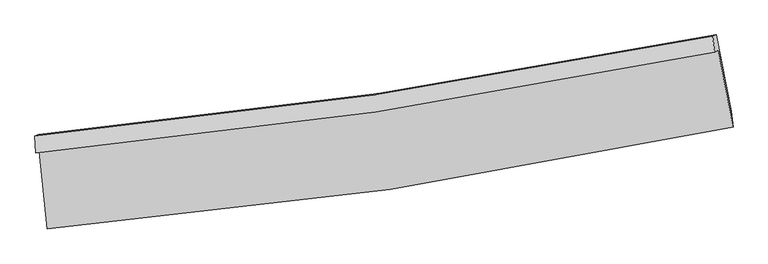
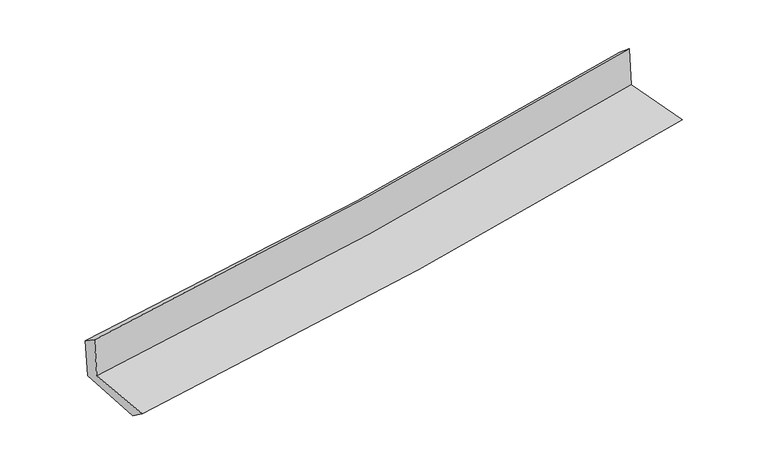
"""IFC4 building model written with IfcOpenShell, lengths in millimetres: proxy geometry."""

from ifc_helpers import new_model, si_unit, frame, origin, place, context, project, spatial, source, transform, mapped, element, save
from ifc_brep_helpers import plane_surface, spline_curve, spline_surface, advanced_brep


def generic_models_0bc6b766(model_context):
    return source(origin(), model_context, "Body", "AdvancedBrep", [
        advanced_brep(
        [(-2937.5955271, -1902.5858124, 1633.0285922), (-2869.0179714, -2570.8633524, 1612.8965138), (3016.8953579, -1693.6174022, 2121.8337419), (2889.9510439, -1033.5422593, 2134.4722999), (-2969.1595943, -1917.8676696, 2032.7853997), (2858.522261, -1048.7586182, 2532.5157421), (-2975.9219288, -1771.7343559, 1937.7305973), (2842.4359554, -913.3541548, 2419.6908665), (-2944.9054701, -1758.6168204, 1547.2061781), (2871.6549641, -901.0380636, 2053.6805363), (-2875.3280112, -2417.4037926, 1503.5176103), (3000.0457953, -1556.7207009, 2014.5596377)],
        [
            (0, 1),
            (1, 2, spline_curve(3, [(-2869.0179714, -2570.8633524, 1612.8965138), (-1884.267214877, -2489.303420762, 1717.426177018), (-903.077943251, -2375.782268944, 1811.990689236), (1058.942626792, -2083.810813494, 1981.774823028), (2039.724464882, -1904.916648981, 2056.856053379), (3016.8953579, -1693.6174022, 2121.8337419)], [4, 2, 4], [0.0, 9.719819335402939, 19.50689794603169])),
            (2, 3),
            (3, 0, spline_curve(3, [(2889.9510439, -1033.5422593, 2134.4722999), (1923.291736908, -1232.34150996, 2053.598847726), (952.64506579, -1404.318971879, 1971.225913158), (-989.925074225, -1693.632770491, 1804.057471667), (-1961.793926497, -1811.336493209, 1719.282503878), (-2937.5955271, -1902.5858124, 1633.0285922)], [4, 2, 4], [0.0, 9.78707861062875, 19.50689794603169])),
            (4, 0),
            (3, 5),
            (5, 4, spline_curve(3, [(2858.522261, -1048.7586182, 2532.5157421), (1891.037579334, -1247.957477201, 2462.095605552), (919.968292177, -1420.139549871, 2385.075073852), (-1022.641425748, -1709.472510429, 2218.407885864), (-1994.132756896, -1826.99345483, 2128.851636226), (-2969.1595943, -1917.8676696, 2032.7853997)], [4, 2, 4], [0.0, 9.738138553013643, 19.40935415923365])),
            (6, 4),
            (5, 7),
            (7, 6, spline_curve(3, [(2842.4359554, -913.3541548, 2419.6908665), (1876.968448533, -1107.005314829, 2340.90889356), (907.686636259, -1275.52285525, 2261.212928704), (-1031.818237651, -1561.305326644, 2100.546986474), (-2001.989053131, -1678.914520085, 2019.589528423), (-2975.9219288, -1771.7343559, 1937.7305973)], [4, 2, 4], [0.0, 9.727778585425533, 19.388705420370353])),
            (8, 6),
            (7, 9),
            (9, 8, spline_curve(3, [(2871.6549641, -901.0380636, 2053.6805363), (1906.614744683, -1094.502742389, 1969.202043276), (937.696661509, -1262.86011565, 1884.610686716), (-1001.209932555, -1548.375799321, 1715.784354872), (-1971.145327554, -1665.878011839, 1631.550925413), (-2944.9054701, -1758.6168204, 1547.2061781)], [4, 2, 4], [0.0, 9.7174777777114, 19.368174594693418])),
            (10, 8),
            (9, 11),
            (11, 10, spline_curve(3, [(3000.0457953, -1556.7207009, 2014.5596377), (2024.528666538, -1752.844776097, 1929.127142792), (1045.455220059, -1922.787744082, 1843.677161187), (-913.051427033, -2209.323497914, 1673.329579431), (-1892.435916457, -2326.274893994, 1588.432218209), (-2875.3280112, -2417.4037926, 1503.5176103)], [4, 2, 4], [0.0, 9.76616975592613, 19.465223927554973])),
            (1, 10),
            (11, 2),
        ],
        [
            spline_surface(3, 3, [[(-2937.5955271, -1902.5858124, 1633.0285922), (-1961.793926477, -1811.33649328, 1719.282503745), (-989.92507407, -1693.63277062, 1804.05747172), (952.645065634, -1404.318971749, 1971.225913105), (1923.291736884, -1232.341510005, 2053.598847711), (2889.9510439, -1033.5422593, 2134.4722999)], [(-2914.736341863, -2125.344992416, 1626.317899399), (-1935.951689283, -2037.325469175, 1718.663728176), (-960.976030431, -1921.015936708, 1806.701877558), (988.077585998, -1630.816252337, 1974.742216387), (1962.102646169, -1456.533222932, 2054.684582966), (2932.265815235, -1253.567306909, 2130.259447242)], [(-2891.877156637, -2348.104172384, 1619.607206601), (-1910.109452102, -2263.314445022, 1718.044952609), (-932.026986809, -2148.399102816, 1809.346283436), (1023.510106346, -1857.313532947, 1978.258519709), (2000.91355545, -1680.724935933, 2055.770318197), (2974.580586565, -1473.592354591, 2126.046594558)], [(-2869.0179714, -2570.8633524, 1612.8965138), (-1884.267214908, -2489.303420917, 1717.426177039), (-903.07794317, -2375.782268903, 1811.990689274), (1058.94262671, -2083.810813535, 1981.77482299), (2039.724464735, -1904.91664886, 2056.856053452), (3016.8953579, -1693.6174022, 2121.8337419)]], [4, 4], [4, 2, 4], [0.0, 2.2562275959208105], [0.0, 9.719819335402939, 19.50689794603169]),
            spline_surface(3, 3, [[(-2969.1595943, -1917.8676696, 2032.7853997), (-1994.13275694, -1826.993454915, 2128.851636363), (-1022.641425654, -1709.472510509, 2218.407885741), (919.968292083, -1420.13954979, 2385.075073976), (1891.037579292, -1247.957477046, 2462.095605399), (2858.522261, -1048.7586182, 2532.5157421)], [(-2958.63823859, -1912.773717188, 1899.533130538), (-1983.353146809, -1821.774467691, 1992.328592162), (-1011.73597511, -1704.192597194, 2080.291081091), (930.860549949, -1414.866023757, 2247.125353709), (1901.788965169, -1242.752154697, 2325.930019501), (2868.998521979, -1043.686498565, 2399.834594699)], [(-2948.11688281, -1907.679764812, 1766.280861362), (-1972.573536607, -1816.555480504, 1855.805547946), (-1000.830524614, -1698.912683936, 1942.17427637), (941.752807768, -1409.592497781, 2109.175633372), (1912.540351008, -1237.546832354, 2189.764433608), (2879.474782921, -1038.614378935, 2267.153447301)], [(-2937.5955271, -1902.5858124, 1633.0285922), (-1961.793926477, -1811.33649328, 1719.282503745), (-989.92507407, -1693.63277062, 1804.05747172), (952.645065634, -1404.318971749, 1971.225913105), (1923.291736884, -1232.341510005, 2053.598847711), (2889.9510439, -1033.5422593, 2134.4722999)]], [4, 4], [4, 2, 4], [0.0, 1.3638065103238703], [0.0, 9.671215606220008, 19.40935415923365]),
            spline_surface(3, 3, [[(-2975.9219288, -1771.7343559, 1937.7305973), (-2001.989053224, -1678.914519973, 2019.589528343), (-1031.818237521, -1561.305326727, 2100.546986452), (907.686636128, -1275.522855167, 2261.212928726), (1876.968448527, -1107.005314732, 2340.908893677), (2842.4359554, -913.3541548, 2419.6908665)], [(-2973.66781729, -1820.445460476, 1969.415531438), (-1999.370287786, -1728.274164962, 2056.010231021), (-1028.759300231, -1610.694387993, 2139.833952884), (911.780521448, -1323.728420047, 2302.500310479), (1881.658158778, -1153.989368864, 2381.304464251), (2847.798057263, -958.48897596, 2457.299158367)], [(-2971.41370581, -1869.156565024, 2001.100465562), (-1996.751522377, -1777.633809926, 2092.430933685), (-1025.700362945, -1660.083449243, 2179.120919308), (915.874406763, -1371.93398491, 2343.787692223), (1886.347869041, -1200.973422915, 2421.700034824), (2853.160159137, -1003.62379704, 2494.907450233)], [(-2969.1595943, -1917.8676696, 2032.7853997), (-1994.13275694, -1826.993454915, 2128.851636363), (-1022.641425654, -1709.472510509, 2218.407885741), (919.968292083, -1420.13954979, 2385.075073976), (1891.037579292, -1247.957477046, 2462.095605399), (2858.522261, -1048.7586182, 2532.5157421)]], [4, 4], [4, 2, 4], [0.0, 0.6238325648138843], [0.0, 9.66092683494482, 19.388705420370353]),
            spline_surface(3, 3, [[(-2944.9054701, -1758.6168204, 1547.2061781), (-1971.145327604, -1665.878011942, 1631.550925357), (-1001.209932646, -1548.37579942, 1715.784354794), (937.696661601, -1262.86011555, 1884.610686794), (1906.614744697, -1094.502742462, 1969.202043409), (2871.6549641, -901.0380636, 2053.6805363)], [(-2955.244289671, -1762.989332225, 1677.38098449), (-1981.426569482, -1670.223514611, 1760.897126343), (-1011.412700964, -1552.685641859, 1844.038565334), (927.69331975, -1267.08102876, 2010.144767426), (1896.732645946, -1098.670266529, 2093.104326818), (2861.915294506, -905.14342731, 2175.683979686)], [(-2965.583109229, -1767.361844075, 1807.55579091), (-1991.707811346, -1674.569017304, 1890.243327358), (-1021.615469203, -1556.995484287, 1972.292775912), (917.689977979, -1271.301941958, 2135.678848094), (1886.850547278, -1102.837790665, 2217.006610268), (2852.175624994, -909.24879109, 2297.687423114)], [(-2975.9219288, -1771.7343559, 1937.7305973), (-2001.989053224, -1678.914519973, 2019.589528343), (-1031.818237521, -1561.305326727, 2100.546986452), (907.686636128, -1275.522855167, 2261.212928726), (1876.968448527, -1107.005314732, 2340.908893677), (2842.4359554, -913.3541548, 2419.6908665)]], [4, 4], [4, 2, 4], [0.0, 1.2535209204902833], [0.0, 9.650696816982018, 19.368174594693418]),
            spline_surface(3, 3, [[(-2875.3280112, -2417.4037926, 1503.5176103), (-1892.435916462, -2326.274893901, 1588.432218309), (-913.051427158, -2209.323498021, 1673.329579312), (1045.455220185, -1922.787743974, 1843.677161306), (2024.528666423, -1752.844776005, 1929.12714275), (3000.0457953, -1556.7207009, 2014.5596377)], [(-2898.520497505, -2197.808135192, 1518.08046623), (-1918.672386848, -2106.142599907, 1602.805120655), (-942.437595637, -1989.007598484, 1687.481171137), (1009.535700674, -1702.811867829, 1857.321669799), (1985.224025869, -1533.397431514, 1942.485442965), (2957.248851588, -1338.159821822, 2027.599937228)], [(-2921.712983795, -1978.212477808, 1532.64332217), (-1944.908857218, -1886.010305937, 1617.178023011), (-971.823764167, -1768.691698958, 1701.63276297), (973.616181112, -1482.835991695, 1870.966178301), (1945.919385251, -1313.950086954, 1955.843743195), (2914.451907812, -1119.598942678, 2040.640236772)], [(-2944.9054701, -1758.6168204, 1547.2061781), (-1971.145327604, -1665.878011942, 1631.550925357), (-1001.209932646, -1548.37579942, 1715.784354794), (937.696661601, -1262.86011555, 1884.610686794), (1906.614744697, -1094.502742462, 1969.202043409), (2871.6549641, -901.0380636, 2053.6805363)]], [4, 4], [4, 2, 4], [0.0, 2.194782081596941], [0.0, 9.699054171628843, 19.465223927554973]),
            spline_surface(3, 3, [[(-2869.0179714, -2570.8633524, 1612.8965138), (-1884.267214908, -2489.303420917, 1717.426177039), (-903.07794317, -2375.782268903, 1811.990689274), (1058.94262671, -2083.810813535, 1981.77482299), (2039.724464735, -1904.91664886, 2056.856053452), (3016.8953579, -1693.6174022, 2121.8337419)], [(-2871.12131798, -2519.710165804, 1576.436879304), (-1886.990115406, -2434.960578582, 1674.4281908), (-906.402437846, -2320.296011963, 1765.770319289), (1054.446824522, -2030.136457035, 1935.742269098), (2034.659198628, -1854.226024575, 2014.279749896), (3011.27883703, -1647.985168434, 2086.075707178)], [(-2873.22466462, -2468.556979196, 1539.977244796), (-1889.713015964, -2380.617736236, 1631.430204549), (-909.726932482, -2264.809754961, 1719.549949297), (1049.951022373, -1976.462100474, 1889.709715199), (2029.593932531, -1803.53540029, 1971.703446306), (3005.66231617, -1602.352934666, 2050.317672422)], [(-2875.3280112, -2417.4037926, 1503.5176103), (-1892.435916462, -2326.274893901, 1588.432218309), (-913.051427158, -2209.323498021, 1673.329579312), (1045.455220185, -1922.787743974, 1843.677161306), (2024.528666423, -1752.844776005, 1929.12714275), (3000.0457953, -1556.7207009, 2014.5596377)]], [4, 4], [4, 2, 4], [0.0, 0.7043573191837926], [0.0, 9.757862036893432, 19.58324659717003]),
            plane_surface(frame((2913.2508963, -1191.1718665, 2212.7921374), z_axis=(0.978797741547858, 0.18662402806096481, 0.08441832319533969), x_axis=(-0.07953320182999833, -0.03352400380683494, 0.9962683428551908))),
            plane_surface(frame((-2928.6547505, -2056.5119672, 1711.1941486), z_axis=(-0.9916661609058118, -0.09929000817108928, -0.08209579521335872), x_axis=(-0.10203648491060124, 0.9943295648680763, 0.02995450177103134))),
        ],
        [
            (0, [[1, 2, 3, 4]]),
            (1, [[5, -4, 6, 7]]),
            (2, [[8, -7, 9, 10]]),
            (3, [[11, -10, 12, 13]]),
            (4, [[14, -13, 15, 16]]),
            (5, [[17, -16, 18, -2]]),
            (6, [[-12, -9, -6, -3, -18, -15]]),
            (7, [[-1, -5, -8, -11, -14, -17]]),
        ],
    ),
    ])


if __name__ == "__main__":
    model = new_model("IFC4")
    model_context = context("Model", 3, world=origin())
    ifc_project = project(units=[si_unit("LENGTHUNIT", "METRE", prefix="MILLI")], contexts=[model_context])
    site = spatial("IfcSite", under=ifc_project)
    building = spatial("IfcBuilding", under=site)
    placement = place(None, origin())
    generic_models_shape = generic_models_0bc6b766(model_context)
    element("IfcBuildingElementProxy", 1, Name="Generic Models", at=placement, inside=building, context=model_context, shape_type="MappedRepresentation", body=[
        mapped(generic_models_shape, transform((0.0, 0.0, 0.0), x_axis=(1.0, 0.0, 0.0), y_axis=(0.0, 1.0, 0.0), z_axis=(0.0, 0.0, 1.0))),
    ])
    save(model, "model.ifc")
